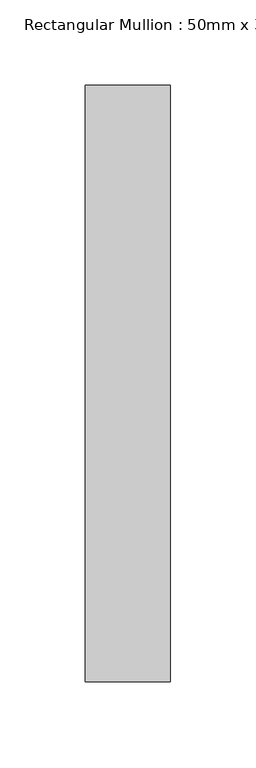
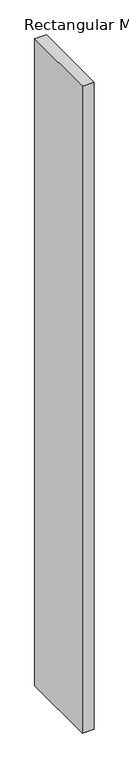
"""IFC4 building model written with IfcOpenShell, lengths in millimetres: member geometry, Rectangular Mullion : 50mm x 350mm."""

from ifc_helpers import new_model, si_unit, frame, origin, place, context, project, spatial, polyline, outline, extrude, source, transform, mapped, element, save


def rectangular_mullion_50mm_x_350mm_c7da9a6b(model_context):
    return source(origin(), model_context, "Body", "SweptSolid", [
        extrude(outline(polyline([(0.0, 175.0), (0.0, -175.0), (-50.0, -175.0), (-50.0, 175.0), (0.0, 175.0)])), frame((0.0, 0.0, -2900.0), z_axis=(0.0, 0.0, 1.0), x_axis=(1.0, 0.0, 0.0)), (0.0, 0.0, 1.0), 2900.0),
    ])


if __name__ == "__main__":
    model = new_model("IFC4")
    model_context = context("Model", 3, world=origin())
    ifc_project = project(units=[si_unit("LENGTHUNIT", "METRE", prefix="MILLI")], contexts=[model_context])
    site = spatial("IfcSite", under=ifc_project)
    building = spatial("IfcBuilding", under=site)
    placement = place(None, origin())
    rectangular_mullion_50mm_x_350mm_shape = rectangular_mullion_50mm_x_350mm_c7da9a6b(model_context)
    element("IfcMember", 1, ObjectType="Rectangular Mullion : 50mm x 350mm", at=placement, inside=building, context=model_context, shape_type="MappedRepresentation", body=[
        mapped(rectangular_mullion_50mm_x_350mm_shape, transform((0.0, 0.0, 0.0), x_axis=(1.0, 0.0, 0.0), y_axis=(0.0, 1.0, 0.0), z_axis=(0.0, 0.0, 1.0))),
    ])
    save(model, "model.ifc")
